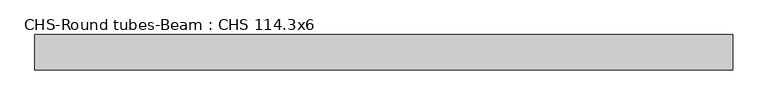
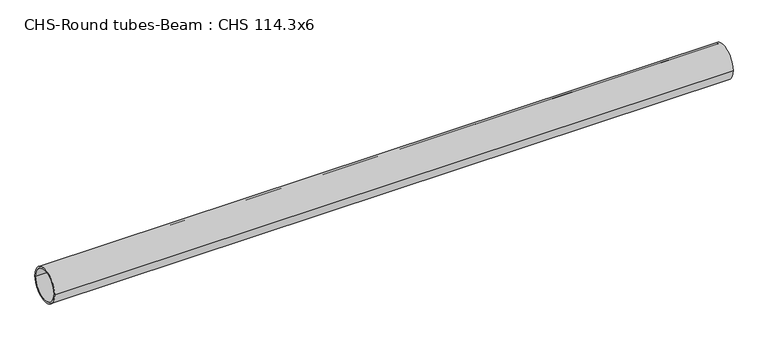
"""IFC4 building model written with IfcOpenShell, lengths in millimetres: beam geometry, CHS-Round tubes-Beam : CHS 114.3x6."""

from ifc_helpers import new_model, si_unit, point, frame, origin, origin_2d, place, context, project, spatial, circle_curve, trimmed, segment, composite_curve, outline, extrude, source, transform, mapped, element, save


def chs_round_tubes_beam_chs_114_3x6_53d5f0e7(model_context):
    return source(origin(), model_context, "Body", "SweptSolid", [
        extrude(outline(composite_curve([segment(trimmed(circle_curve(origin_2d(), 57.15), [point((57.15, 0.0))], [point((-57.15, 0.0))], False, "CARTESIAN"), True, "CONTINUOUS"), segment(trimmed(circle_curve(origin_2d(), 57.15), [point((-57.15, 0.0))], [point((57.15, 0.0))], False, "CARTESIAN"), True, "CONTINUOUS")], self_intersect=False), holes=[composite_curve([segment(trimmed(circle_curve(origin_2d(), 51.15), [point((51.15, 0.0))], [point((-51.15, 0.0))], True, "CARTESIAN"), True, "CONTINUOUS"), segment(trimmed(circle_curve(origin_2d(), 51.15), [point((-51.15, 0.0))], [point((51.15, 0.0))], True, "CARTESIAN"), True, "CONTINUOUS")], self_intersect=False)]), frame((-953.7938141, 0.0, 0.0), z_axis=(1.0, 0.0, 0.0), x_axis=(0.0, 1.0, 0.0)), (0.0, 0.0, 1.0), 2265.1131171),
    ])


if __name__ == "__main__":
    model = new_model("IFC4")
    model_context = context("Model", 3, world=origin())
    ifc_project = project(units=[si_unit("LENGTHUNIT", "METRE", prefix="MILLI")], contexts=[model_context])
    site = spatial("IfcSite", under=ifc_project)
    building = spatial("IfcBuilding", under=site)
    placement = place(None, origin())
    chs_round_tubes_beam_chs_114_3x6_shape = chs_round_tubes_beam_chs_114_3x6_53d5f0e7(model_context)
    element("IfcBeam", 1, ObjectType="CHS-Round tubes-Beam : CHS 114.3x6", at=placement, inside=building, context=model_context, shape_type="MappedRepresentation", body=[
        mapped(chs_round_tubes_beam_chs_114_3x6_shape, transform((0.0, 0.0, 0.0), x_axis=(1.0, 0.0, 0.0), y_axis=(0.0, 1.0, 0.0), z_axis=(0.0, 0.0, 1.0))),
    ])
    save(model, "model.ifc")
